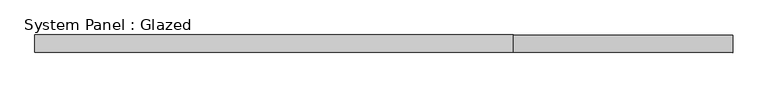
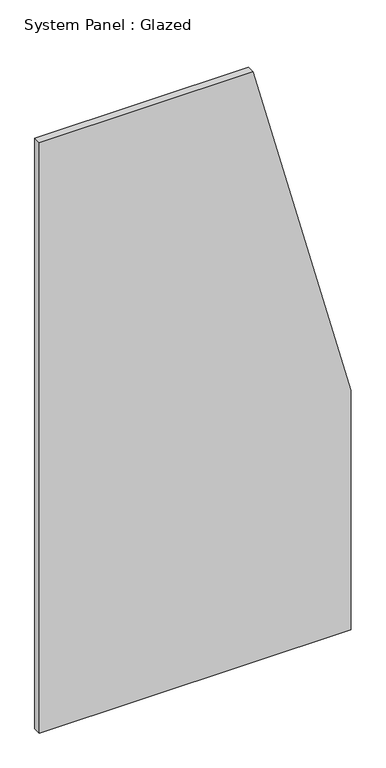
"""IFC4 building model written with IfcOpenShell, lengths in millimetres: plate geometry, System Panel : Glazed."""

import ifcopenshell
import ifcopenshell.guid

model = None  # the IFC model being written
_history = None  # IfcOwnerHistory: only IFC2X3 demands one
_inside = {}  # id of a spatial element -> (the spatial element, [elements in it])
_under = {}  # id of a project, library or spatial element -> (it, [spatial elements below it])
_declared = {}  # id of a project -> (the project, [libraries it declares])
_typed = {}  # id of a type object -> (the type object, [elements of that type])
_made_of = {}  # id of a material, layer set ... -> (it, [elements and type objects made of it])


def new_model(schema):
    """Start an empty IFC model of exactly this schema.

    Asked for "IFC4X3", IfcOpenShell would pick the latest addendum, in which some entities
    have other attributes; the version numbers below select the first issue.
    IFC2X3 requires an IfcOwnerHistory on every rooted entity: one is made here for all.
    """
    global model, _history
    if schema == "IFC4X3":
        model = ifcopenshell.file(schema_version=(4, 3, 0, 0))
    else:
        model = ifcopenshell.file(schema=schema)
    _inside.clear()
    _under.clear()
    _declared.clear()
    _typed.clear()
    _made_of.clear()
    _history = None
    if model.schema == "IFC2X3":
        org = make("IfcOrganization", Name="unknown")
        user = make(
            "IfcPersonAndOrganization",
            ThePerson=make("IfcPerson", FamilyName="unknown"),
            TheOrganization=org,
        )
        app = make(
            "IfcApplication",
            ApplicationDeveloper=org,
            Version="unknown",
            ApplicationFullName="unknown",
            ApplicationIdentifier="unknown",
        )
        _history = make(
            "IfcOwnerHistory",
            OwningUser=user,
            OwningApplication=app,
            ChangeAction="ADDED",
            CreationDate=0,
        )
    return model


def make(cls, **values):
    """One entity of the class cls with the attributes given. An attribute that is None is left unset."""
    return model.create_entity(
        cls, **{name: value for name, value in values.items() if value is not None}
    )


def rooted(cls, **values):
    """An entity with a GlobalId (a new one), such as an element, a storey or a relation."""
    return make(cls, GlobalId=ifcopenshell.guid.new(), OwnerHistory=_history, **values)


def si_unit(unit_type, name, prefix=None):
    """IfcSIUnit, for example si_unit("LENGTHUNIT", "METRE", prefix="MILLI")."""
    return make("IfcSIUnit", UnitType=unit_type, Prefix=prefix, Name=name)


def assignment(units):
    """IfcUnitAssignment: the units of a project."""
    return None if units is None else make("IfcUnitAssignment", Units=units)


def point(xyz):
    """IfcCartesianPoint."""
    return None if xyz is None else make("IfcCartesianPoint", Coordinates=xyz)


def direction(xyz):
    """IfcDirection."""
    return None if xyz is None else make("IfcDirection", DirectionRatios=xyz)


def frame(location, z_axis=None, x_axis=None):
    """IfcAxis2Placement3D, a coordinate frame: its origin and axes. An axis left out is left unset."""
    return make(
        "IfcAxis2Placement3D",
        Location=point(location),
        Axis=direction(z_axis),
        RefDirection=direction(x_axis),
    )


def origin():
    """The frame at (0, 0, 0) with its axes left unset."""
    return frame((0.0, 0.0, 0.0))


def place(relative_to, where):
    """IfcLocalPlacement: puts the frame where relative to a parent placement (None: the world)."""
    return make(
        "IfcLocalPlacement", PlacementRelTo=relative_to, RelativePlacement=where
    )


def context(
    kind, dimensions, precision=None, world=None, true_north=None, identifier=None
):
    """IfcGeometricRepresentationContext, for example the 3D "Model" context."""
    return make(
        "IfcGeometricRepresentationContext",
        ContextIdentifier=identifier,
        ContextType=kind,
        CoordinateSpaceDimension=dimensions,
        Precision=precision,
        WorldCoordinateSystem=world,
        TrueNorth=true_north,
    )


def project(units=None, contexts=None):
    """IfcProject with its units and contexts."""
    return rooted(
        "IfcProject",
        Name="project",
        RepresentationContexts=contexts,
        UnitsInContext=assignment(units),
    )


def spatial(cls, under=None, at=None, **own):
    """A site, building, storey or space (cls), placed at a placement, below another one or the project."""
    s = rooted(cls, ObjectPlacement=at, **own)
    if under is not None:
        _under.setdefault(under.id(), (under, []))[1].append(s)
    return s


def polyline(points):
    """IfcPolyline through the points."""
    return make("IfcPolyline", Points=[point(p) for p in points])


def outline(outer, holes=None, kind="AREA"):
    """IfcArbitraryClosedProfileDef: a profile drawn as a closed curve; with holes, ...WithVoids."""
    if holes is None:
        return make("IfcArbitraryClosedProfileDef", ProfileType=kind, OuterCurve=outer)
    return make(
        "IfcArbitraryProfileDefWithVoids",
        ProfileType=kind,
        OuterCurve=outer,
        InnerCurves=holes,
    )


def extrude(swept, where, along, depth):
    """IfcExtrudedAreaSolid: the profile swept, set in the frame where, extruded along a direction by depth."""
    return make(
        "IfcExtrudedAreaSolid",
        SweptArea=swept,
        Position=where,
        ExtrudedDirection=direction(along),
        Depth=depth,
    )


def shape(context_of_items, identifier, shape_type, items):
    """IfcShapeRepresentation: the items that make up one representation, for example the "Body"."""
    return make(
        "IfcShapeRepresentation",
        ContextOfItems=context_of_items,
        RepresentationIdentifier=identifier,
        RepresentationType=shape_type,
        Items=items,
    )


def source(mapping_origin, context_of_items, identifier, shape_type, items):
    """IfcRepresentationMap: a shape defined once, which mapped items show again and again."""
    return make(
        "IfcRepresentationMap",
        MappingOrigin=mapping_origin,
        MappedRepresentation=shape(context_of_items, identifier, shape_type, items),
    )


def transform(
    local_origin,
    x_axis=None,
    y_axis=None,
    z_axis=None,
    scale=None,
    scale2=None,
    scale3=None,
    uniform=True,
):
    """IfcCartesianTransformationOperator3D, or its non-uniform kind. x_axis, y_axis, z_axis: its Axis1, 2, 3."""
    if uniform:
        return make(
            "IfcCartesianTransformationOperator3D",
            Axis1=direction(x_axis),
            Axis2=direction(y_axis),
            LocalOrigin=point(local_origin),
            Scale=scale,
            Axis3=direction(z_axis),
        )
    return make(
        "IfcCartesianTransformationOperator3DnonUniform",
        Axis1=direction(x_axis),
        Axis2=direction(y_axis),
        LocalOrigin=point(local_origin),
        Scale=scale,
        Axis3=direction(z_axis),
        Scale2=scale2,
        Scale3=scale3,
    )


def mapped(mapping_source, mapping_target):
    """IfcMappedItem: shows the shape of a source again, moved by a transform."""
    return make(
        "IfcMappedItem", MappingSource=mapping_source, MappingTarget=mapping_target
    )


def made_of(thing, what):
    """Note that an element or type object is made of a material, layer set ...; save() writes the relation."""
    if what is not None:
        _made_of.setdefault(what.id(), (what, []))[1].append(thing)
    return thing


def element(
    cls,
    number,
    at=None,
    inside=None,
    cuts=None,
    type_object=None,
    material=None,
    context=None,
    identifier="Body",
    shape_type=None,
    held_by="IfcProductDefinitionShape",
    body=None,
    shapes=None,
    **own,
):
    """One element of the class cls, such as IfcWall. Its Tag is "e" and its number.

    at: its placement. inside: the storey or other place that contains it. cuts: it is an
    opening in that element (IfcRelVoidsElement). A single representation is given by context,
    identifier, shape_type and body (its items); several are given by shapes. held_by: the class
    of the entity that holds the representations. save() writes the other relations.
    """
    e = rooted(cls, Tag="e%d" % number, ObjectPlacement=at, **own)
    if body is not None:
        shapes = [shape(context, identifier, shape_type, body)]
    if shapes is not None:
        e.Representation = make(held_by, Representations=shapes)
    if inside is not None:
        _inside.setdefault(inside.id(), (inside, []))[1].append(e)
    if cuts is not None:
        rooted(
            "IfcRelVoidsElement", RelatingBuildingElement=cuts, RelatedOpeningElement=e
        )
    if type_object is not None:
        _typed.setdefault(type_object.id(), (type_object, []))[1].append(e)
    return made_of(e, material)


def aggregate(whole, parts):
    """IfcRelAggregates: a whole, such as a stair, and the parts it consists of."""
    return rooted("IfcRelAggregates", RelatingObject=whole, RelatedObjects=parts)


def save(model, path):
    """Write the relations noted so far, then the file.

    IfcRelAggregates (storeys below a building ...), IfcRelContainedInSpatialStructure (elements
    in a storey), IfcRelDefinesByType, IfcRelAssociatesMaterial and IfcRelDeclares: one each for
    every whole, place, type object, material and project.
    """
    for whole, parts in _under.values():
        aggregate(whole, parts)
    for where, things in _inside.values():
        rooted(
            "IfcRelContainedInSpatialStructure",
            RelatedElements=things,
            RelatingStructure=where,
        )
    for kind, things in _typed.values():
        rooted("IfcRelDefinesByType", RelatedObjects=things, RelatingType=kind)
    for what, things in _made_of.values():
        rooted("IfcRelAssociatesMaterial", RelatedObjects=things, RelatingMaterial=what)
    for by, libraries in _declared.values():
        rooted("IfcRelDeclares", RelatingContext=by, RelatedDefinitions=libraries)
    model.write(path)


def system_panel_glazed_bb903881(model_context):
    return source(origin(), model_context, "Body", "SweptSolid", [
        extrude(outline(polyline([(0.0, -500.0), (0.0, 500.0), (810.8108097, 500.0), (2000.0, 185.7142854), (2000.0, -500.0), (0.0, -500.0)])), frame((0.0, 24.5, 0.0), z_axis=(0.0, 1.0, 0.0), x_axis=(0.0, 0.0, 1.0)), (0.0, 0.0, 1.0), 25.0),
    ])


if __name__ == "__main__":
    model = new_model("IFC4")
    model_context = context("Model", 3, world=origin())
    ifc_project = project(units=[si_unit("LENGTHUNIT", "METRE", prefix="MILLI")], contexts=[model_context])
    site = spatial("IfcSite", under=ifc_project)
    building = spatial("IfcBuilding", under=site)
    placement = place(None, origin())
    system_panel_glazed_shape = system_panel_glazed_bb903881(model_context)
    element("IfcPlate", 1, ObjectType="System Panel : Glazed", at=placement, inside=building, context=model_context, shape_type="MappedRepresentation", body=[
        mapped(system_panel_glazed_shape, transform((0.0, 0.0, 0.0), x_axis=(1.0, 0.0, 0.0), y_axis=(0.0, 1.0, 0.0), z_axis=(0.0, 0.0, 1.0))),
    ])
    save(model, "model.ifc")
